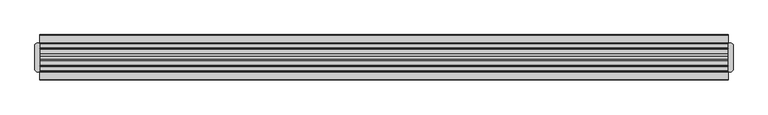
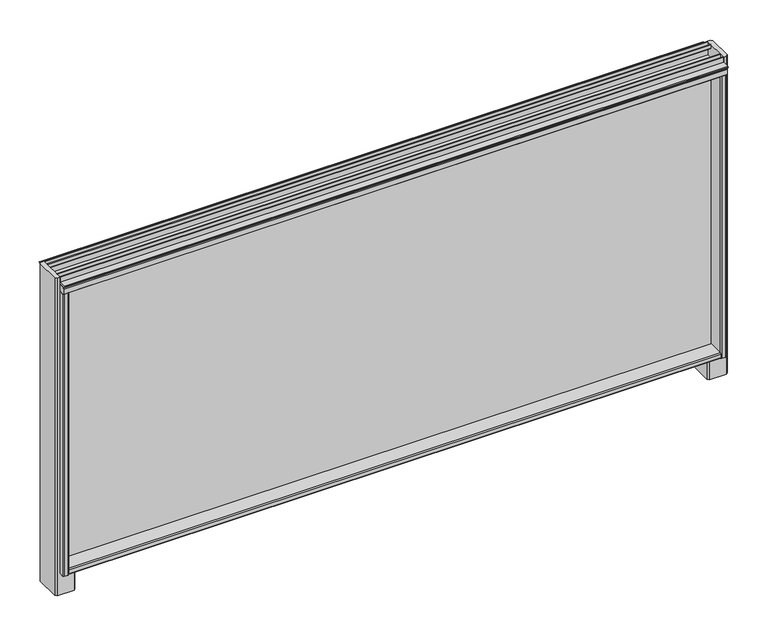
"""IFC4 building model written with IfcOpenShell, lengths in millimetres: furniture geometry."""

from ifc_helpers import new_model, si_unit, frame, origin, place, context, project, spatial, polyline, outline, extrude, faceted_brep, source, transform, mapped, element, save


def furniture_2ad79f45(model_context):
    return source(origin(), model_context, "Body", "SolidModel", [
        extrude(outline(polyline([(-27.0409102, 1418.3763357), (-40.5028792, 1418.3763357), (-41.2648967, 1420.7892698), (-40.5028792, 1421.5512873), (-27.0409102, 1421.5512873), (-27.0409102, 1418.3763357)])), frame((-840.427047, 0.0, 0.0), z_axis=(1.0, 0.0, 0.0), x_axis=(0.0, 1.0, 0.0)), (0.0, 0.0, 1.0), 1203.0787647),
        extrude(outline(polyline([(23.7590898, 1418.3763357), (23.7590898, 1421.5512873), (37.2212041, 1421.5512873), (37.9830762, 1420.7892698), (37.2212041, 1418.3763357), (23.7590898, 1418.3763357)])), frame((-840.427047, 0.0, 0.0), z_axis=(1.0, 0.0, 0.0), x_axis=(0.0, 1.0, 0.0)), (0.0, 0.0, 1.0), 1203.0787647),
        faceted_brep([(351.7297099, -35.7961223, 874.5115191), (351.7297099, -37.5819335, 872.7335752), (351.7297099, -37.5819335, 865.3676004), (351.7297099, -35.7961223, 863.6), (351.7297099, 32.5143503, 863.6), (351.7297099, 34.300113, 865.3676004), (351.7297099, 34.300113, 872.7335752), (351.7297099, 32.5143503, 874.5115191), (351.7297099, 4.2011266, 874.5115191), (351.7297099, 2.1691285, 872.7335752), (351.7297099, 2.1691285, 867.5264803), (351.7297099, 0.3911847, 865.7485365), (351.7297099, -3.6728114, 865.7485365), (351.7297099, -5.4509005, 867.5264803), (351.7297099, -5.4509005, 872.7335752), (351.7297099, -7.4828986, 874.5115191), (-829.4973172, -35.7961223, 874.5115191), (-829.4973172, -7.4828986, 874.5115191), (-829.4973172, -5.4509005, 872.7335752), (-829.4973172, -5.4509005, 867.5264803), (-829.4973172, -3.6729567, 865.7485365), (-829.4973172, 0.3913301, 865.7485365), (-829.4973172, 2.1691285, 867.5264803), (-829.4973172, 2.1691285, 872.7335752), (-829.4973172, 4.2011266, 874.5115191), (-829.4973172, 32.5143503, 874.5115191), (-829.4973172, 34.300113, 872.7335752), (-829.4973172, 34.300113, 865.3676004), (-829.4973172, 32.5143503, 863.6), (-829.4973172, -35.7961223, 863.6), (-829.4973172, -37.5819335, 865.3676004), (-829.4973172, -37.5819335, 872.7335752)], [[[0, 1, 2, 3, 4, 5, 6, 7, 8, 9, 10, 11, 12, 13, 14, 15]], [[16, 17, 18, 19, 20, 21, 22, 23, 24, 25, 26, 27, 28, 29, 30, 31]], [[1, 0, 16, 31]], [[2, 1, 31, 30]], [[3, 2, 30, 29]], [[4, 3, 29, 28]], [[5, 4, 28, 27]], [[6, 5, 27, 26]], [[7, 6, 26, 25]], [[8, 7, 25, 24]], [[9, 8, 24, 23]], [[10, 9, 23, 22]], [[11, 10, 22, 21]], [[12, 11, 21, 20]], [[13, 12, 20, 19]], [[14, 13, 19, 18]], [[15, 14, 18, 17]], [[0, 15, 17, 16]]]),
        faceted_brep([(-814.7653676, -27.0409102, 863.6), (-811.5902707, -23.8659587, 863.6), (-811.5902707, 20.5841382, 863.6), (-814.7653676, 23.7590898, 863.6), (-829.4973172, 23.7590898, 863.6), (-829.4973172, 3.9548342, 863.6), (-831.2751157, 2.1691285, 863.6), (-836.482356, 2.1691285, 863.6), (-838.2601545, 0.3913301, 863.6), (-838.2601545, -3.6728114, 863.6), (-836.4820653, -5.4509005, 863.6), (-831.2751157, -5.4509005, 863.6), (-829.4973172, -7.2366547, 863.6), (-829.4973172, -27.0409102, 863.6), (-845.3007966, 23.7590898, 822.1265625), (-814.7653676, 23.7590898, 822.1265625), (-811.5902707, 20.5841382, 822.1265625), (-811.5902707, -23.8659587, 822.1265625), (-814.7653676, -27.0409102, 822.1265625), (-845.3007966, -27.0409102, 822.1265625), (-848.4836583, -23.8659587, 822.1265625), (-848.4836583, 20.5841382, 822.1265625), (-848.4836583, 20.5841382, 1430.734375), (-845.3007966, 23.7590898, 1430.734375), (-848.4836583, -23.8659587, 1430.734375), (-845.3007241, -27.0408375, 1430.734375), (-840.427047, -27.0409102, 863.6), (-840.427047, -27.0409102, 1403.9237295), (-840.427047, -27.0409102, 1430.734375), (-840.427047, 23.7590898, 1430.734375), (-840.427047, 23.7590898, 1403.9237295), (-840.427047, 23.7590898, 863.6), (-838.6412359, 34.300113, 1403.9237295), (-840.427047, 32.5143503, 1403.9237295), (-840.427047, -35.7961223, 1403.9237295), (-838.6412359, -37.5819335, 1403.9237295), (-831.2751157, -37.5819335, 1403.9237295), (-829.4973172, -35.7961223, 1403.9237295), (-829.4973172, -7.2366547, 1403.9237295), (-831.2751157, -5.4509005, 1403.9237295), (-836.482356, -5.4509005, 1403.9237295), (-838.2601545, -3.6728114, 1403.9237295), (-838.2601545, 0.3913301, 1403.9237295), (-836.482356, 2.1691285, 1403.9237295), (-831.2751157, 2.1691285, 1403.9237295), (-829.4973172, 3.9548342, 1403.9237295), (-829.4973172, 32.5143503, 1403.9237295), (-831.2751157, 34.300113, 1403.9237295), (-838.6412359, 34.300113, 863.6), (-831.2751157, 34.300113, 863.6), (-829.4973172, 32.5143503, 863.6), (-840.427047, 32.5143503, 863.6), (-829.4973172, -35.7961223, 863.6), (-831.2751157, -37.5819335, 863.6), (-838.6412359, -37.5819335, 863.6), (-840.427047, -35.7961223, 863.6)], [[[0, 1, 2, 3, 4, 5, 6, 7, 8, 9, 10, 11, 12, 13]], [[14, 15, 16, 17, 18, 19, 20, 21]], [[14, 21, 22, 23]], [[21, 20, 24, 22]], [[20, 19, 25, 24]], [[19, 18, 0, 13, 26, 27, 28, 25]], [[1, 0, 18, 17]], [[2, 1, 17, 16]], [[3, 2, 16, 15]], [[15, 14, 23, 29, 30, 31, 4, 3]], [[23, 22, 24, 25, 28, 29]], [[29, 28, 27, 30]], [[32, 33, 30, 27, 34, 35, 36, 37, 38, 39, 40, 41, 42, 43, 44, 45, 46, 47]], [[48, 49, 50, 4, 31, 51]], [[52, 53, 54, 55, 26, 13]], [[33, 32, 48, 51]], [[33, 51, 31, 30]], [[55, 34, 27, 26]], [[35, 34, 55, 54]], [[36, 35, 54, 53]], [[37, 36, 53, 52]], [[46, 45, 5, 4, 50]], [[47, 46, 50, 49]], [[32, 47, 49, 48]], [[38, 37, 52, 13, 12]], [[39, 38, 12, 11]], [[40, 39, 11, 10]], [[41, 40, 10, 9]], [[42, 41, 9, 8]], [[43, 42, 8, 7]], [[44, 43, 7, 6]], [[45, 44, 6, 5]]]),
        faceted_brep([(336.9977603, 23.7590898, 863.6), (333.8226634, 20.5841382, 863.6), (333.8226634, -23.8659587, 863.6), (336.9977603, -27.0409102, 863.6), (351.7297099, -27.0409102, 863.6), (351.7297099, -7.2366547, 863.6), (353.507799, -5.4509005, 863.6), (358.7147486, -5.4429844, 863.6), (360.4928378, -3.6728114, 863.6), (360.4972137, 0.3913301, 863.6), (358.7147486, 2.1691285, 863.6), (353.507799, 2.1770447, 863.6), (351.7297099, 3.9548342, 863.6), (351.7297099, 23.7590898, 863.6), (370.7163417, 20.5841382, 822.1265625), (370.7163417, -23.8659587, 822.1265625), (367.5412448, -27.0409102, 822.1265625), (336.9977603, -27.0409102, 822.1265625), (333.8226634, -23.8659587, 822.1265625), (333.8226634, 20.5841382, 822.1265625), (336.9977603, 23.7590898, 822.1265625), (367.5412448, 23.7590898, 822.1265625), (367.5412448, 23.7590898, 1430.734375), (362.6517176, 23.7590898, 1430.734375), (362.6517176, -27.0408618, 1430.734375), (367.5412448, -27.0408618, 1430.734375), (370.7163417, -23.8657649, 1430.734375), (370.7163417, 20.5839929, 1430.734375), (362.6517176, 23.7590898, 1403.9237295), (362.6517176, -27.0408618, 1403.9237295), (353.507799, 34.300113, 1403.9237295), (351.7297099, 32.5143503, 1403.9237295), (351.7297099, 3.9548342, 1403.9237295), (353.507799, 2.1691285, 1403.9237295), (358.7147486, 2.1770447, 1403.9237295), (360.4928378, 0.3913301, 1403.9237295), (360.4972137, -3.6728114, 1403.9237295), (358.7147486, -5.4509005, 1403.9237295), (353.507799, -5.4429844, 1403.9237295), (351.7297099, -7.2366547, 1403.9237295), (351.7297099, -35.7961223, 1403.9237295), (353.507799, -37.5819335, 1403.9237295), (360.8736285, -37.5819335, 1403.9237295), (362.6517176, -35.7961223, 1403.9237295), (362.6517176, 32.5143503, 1403.9237295), (360.8736285, 34.300113, 1403.9237295), (353.507799, 34.300113, 863.6), (360.8736285, 34.300113, 863.6), (362.6517176, 32.5143503, 863.6), (362.6517176, 23.7590898, 863.6), (351.7297099, 32.5143503, 863.6), (362.6517176, -35.7961223, 863.6), (360.8736285, -37.5819335, 863.6), (353.507799, -37.5819335, 863.6), (351.7297099, -35.7961223, 863.6), (362.6517176, -27.0409102, 863.6)], [[[0, 1, 2, 3, 4, 5, 6, 7, 8, 9, 10, 11, 12, 13]], [[14, 15, 16, 17, 18, 19, 20, 21]], [[22, 23, 24, 25, 26, 27]], [[24, 23, 28, 29]], [[30, 31, 32, 33, 34, 35, 36, 37, 38, 39, 40, 41, 42, 43, 29, 28, 44, 45]], [[46, 47, 48, 49, 13, 50]], [[51, 52, 53, 54, 4, 55]], [[31, 30, 46, 50]], [[41, 40, 54, 53]], [[42, 41, 53, 52]], [[43, 42, 52, 51]], [[43, 51, 55, 29]], [[48, 44, 28, 49]], [[45, 44, 48, 47]], [[30, 45, 47, 46]], [[32, 31, 50, 13, 12]], [[33, 32, 12, 11]], [[34, 33, 11, 10]], [[35, 34, 10, 9]], [[36, 35, 9, 8]], [[37, 36, 8, 7]], [[38, 37, 7, 6]], [[39, 38, 6, 5]], [[40, 39, 5, 4, 54]], [[14, 21, 22, 27]], [[21, 20, 0, 13, 49, 28, 23, 22]], [[1, 0, 20, 19]], [[2, 1, 19, 18]], [[3, 2, 18, 17]], [[17, 16, 25, 24, 29, 55, 4, 3]], [[16, 15, 26, 25]], [[15, 14, 27, 26]]]),
        extrude(outline(polyline([(-27.0409102, 1430.7355578), (-26.253531, 1431.5231153), (-25.4661517, 1430.736049), (-25.4661517, 1424.0913939), (-17.693661, 1424.0913939), (-17.693661, 1430.7425612), (-16.8647414, 1431.526255), (-16.1189025, 1430.7239564), (-16.1189025, 1423.5832853), (-17.693661, 1422.0593958), (-25.4661517, 1422.0593958), (-25.4661517, 1405.9557276), (-7.4828986, 1405.9557276), (-7.4828986, 1411.6363644), (-4.4348288, 1414.7187101), (1.1532022, 1414.7187101), (4.2011266, 1411.6365097), (4.2011266, 1405.9557276), (22.1843313, 1405.9557276), (22.1843313, 1422.0593958), (14.412276, 1422.0593958), (12.837082, 1423.5832853), (12.837082, 1430.7344025), (13.624534, 1431.5231153), (14.4119859, 1430.7343702), (14.4119859, 1424.0913939), (22.1843313, 1424.0913939), (22.1843313, 1430.736049), (22.9717105, 1431.527929), (23.7590898, 1430.734375), (23.7590898, 1416.6236811), (33.5843009, 1416.6236811), (35.1892061, 1415.0187759), (35.1892061, 1405.4477644), (33.6651712, 1403.9237295), (3.6931634, 1403.9237295), (2.1691285, 1405.4477644), (2.1691285, 1412.6422865), (-5.4509005, 1412.6422865), (-5.4509005, 1405.4477644), (-6.9749354, 1403.9237295), (-36.9467978, 1403.9237295), (-38.4708327, 1405.4477644), (-38.4708327, 1415.0996462), (-36.9467978, 1416.6236811), (-27.0409102, 1416.6236811), (-27.0409102, 1430.7355578)])), frame((-840.427047, 0.0, 0.0), z_axis=(1.0, 0.0, 0.0), x_axis=(0.0, 1.0, 0.0)), (0.0, 0.0, 1.0), 1203.0787647),
        extrude(outline(polyline([(354.2063029, -0.0534102), (354.2063029, -3.2284102), (-831.9736196, -3.2284102), (-831.9736196, -0.0534102), (354.2063029, -0.0534102)])), frame((0.0, 0.0, 865.7485365), z_axis=(0.0, 0.0, 1.0), x_axis=(1.0, 0.0, 0.0)), (0.0, 0.0, 1.0), 546.89375),
    ])


if __name__ == "__main__":
    model = new_model("IFC4")
    model_context = context("Model", 3, world=origin())
    ifc_project = project(units=[si_unit("LENGTHUNIT", "METRE", prefix="MILLI")], contexts=[model_context])
    site = spatial("IfcSite", under=ifc_project)
    building = spatial("IfcBuilding", under=site)
    placement = place(None, origin())
    furniture_shape = furniture_2ad79f45(model_context)
    element("IfcFurniture", 1, at=placement, inside=building, context=model_context, shape_type="MappedRepresentation", body=[
        mapped(furniture_shape, transform((0.0, 0.0, 0.0), x_axis=(1.0, 0.0, 0.0), y_axis=(0.0, 1.0, 0.0), z_axis=(0.0, 0.0, 1.0))),
    ])
    save(model, "model.ifc")
